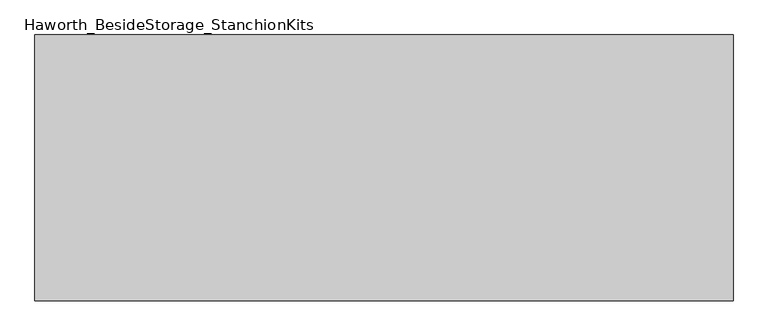
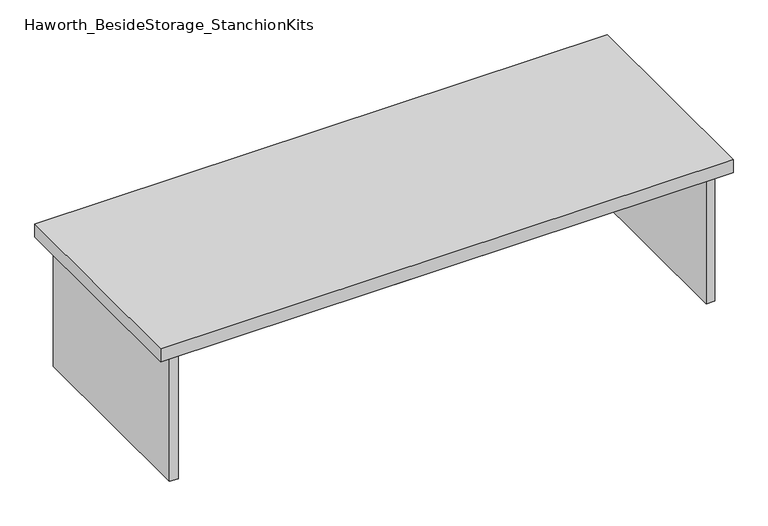
"""IFC4 building model written with IfcOpenShell, lengths in millimetres: furniture geometry, Haworth_BesideStorage_StanchionKits."""

import ifcopenshell
import ifcopenshell.guid

model = None  # the IFC model being written
_history = None  # IfcOwnerHistory: only IFC2X3 demands one
_inside = {}  # id of a spatial element -> (the spatial element, [elements in it])
_under = {}  # id of a project, library or spatial element -> (it, [spatial elements below it])
_declared = {}  # id of a project -> (the project, [libraries it declares])
_typed = {}  # id of a type object -> (the type object, [elements of that type])
_made_of = {}  # id of a material, layer set ... -> (it, [elements and type objects made of it])


def new_model(schema):
    """Start an empty IFC model of exactly this schema.

    Asked for "IFC4X3", IfcOpenShell would pick the latest addendum, in which some entities
    have other attributes; the version numbers below select the first issue.
    IFC2X3 requires an IfcOwnerHistory on every rooted entity: one is made here for all.
    """
    global model, _history
    if schema == "IFC4X3":
        model = ifcopenshell.file(schema_version=(4, 3, 0, 0))
    else:
        model = ifcopenshell.file(schema=schema)
    _inside.clear()
    _under.clear()
    _declared.clear()
    _typed.clear()
    _made_of.clear()
    _history = None
    if model.schema == "IFC2X3":
        org = make("IfcOrganization", Name="unknown")
        user = make(
            "IfcPersonAndOrganization",
            ThePerson=make("IfcPerson", FamilyName="unknown"),
            TheOrganization=org,
        )
        app = make(
            "IfcApplication",
            ApplicationDeveloper=org,
            Version="unknown",
            ApplicationFullName="unknown",
            ApplicationIdentifier="unknown",
        )
        _history = make(
            "IfcOwnerHistory",
            OwningUser=user,
            OwningApplication=app,
            ChangeAction="ADDED",
            CreationDate=0,
        )
    return model


def make(cls, **values):
    """One entity of the class cls with the attributes given. An attribute that is None is left unset."""
    return model.create_entity(
        cls, **{name: value for name, value in values.items() if value is not None}
    )


def rooted(cls, **values):
    """An entity with a GlobalId (a new one), such as an element, a storey or a relation."""
    return make(cls, GlobalId=ifcopenshell.guid.new(), OwnerHistory=_history, **values)


def si_unit(unit_type, name, prefix=None):
    """IfcSIUnit, for example si_unit("LENGTHUNIT", "METRE", prefix="MILLI")."""
    return make("IfcSIUnit", UnitType=unit_type, Prefix=prefix, Name=name)


def assignment(units):
    """IfcUnitAssignment: the units of a project."""
    return None if units is None else make("IfcUnitAssignment", Units=units)


def point(xyz):
    """IfcCartesianPoint."""
    return None if xyz is None else make("IfcCartesianPoint", Coordinates=xyz)


def direction(xyz):
    """IfcDirection."""
    return None if xyz is None else make("IfcDirection", DirectionRatios=xyz)


def frame(location, z_axis=None, x_axis=None):
    """IfcAxis2Placement3D, a coordinate frame: its origin and axes. An axis left out is left unset."""
    return make(
        "IfcAxis2Placement3D",
        Location=point(location),
        Axis=direction(z_axis),
        RefDirection=direction(x_axis),
    )


def origin():
    """The frame at (0, 0, 0) with its axes left unset."""
    return frame((0.0, 0.0, 0.0))


def place(relative_to, where):
    """IfcLocalPlacement: puts the frame where relative to a parent placement (None: the world)."""
    return make(
        "IfcLocalPlacement", PlacementRelTo=relative_to, RelativePlacement=where
    )


def context(
    kind, dimensions, precision=None, world=None, true_north=None, identifier=None
):
    """IfcGeometricRepresentationContext, for example the 3D "Model" context."""
    return make(
        "IfcGeometricRepresentationContext",
        ContextIdentifier=identifier,
        ContextType=kind,
        CoordinateSpaceDimension=dimensions,
        Precision=precision,
        WorldCoordinateSystem=world,
        TrueNorth=true_north,
    )


def project(units=None, contexts=None):
    """IfcProject with its units and contexts."""
    return rooted(
        "IfcProject",
        Name="project",
        RepresentationContexts=contexts,
        UnitsInContext=assignment(units),
    )


def spatial(cls, under=None, at=None, **own):
    """A site, building, storey or space (cls), placed at a placement, below another one or the project."""
    s = rooted(cls, ObjectPlacement=at, **own)
    if under is not None:
        _under.setdefault(under.id(), (under, []))[1].append(s)
    return s


def polyline(points):
    """IfcPolyline through the points."""
    return make("IfcPolyline", Points=[point(p) for p in points])


def outline(outer, holes=None, kind="AREA"):
    """IfcArbitraryClosedProfileDef: a profile drawn as a closed curve; with holes, ...WithVoids."""
    if holes is None:
        return make("IfcArbitraryClosedProfileDef", ProfileType=kind, OuterCurve=outer)
    return make(
        "IfcArbitraryProfileDefWithVoids",
        ProfileType=kind,
        OuterCurve=outer,
        InnerCurves=holes,
    )


def extrude(swept, where, along, depth):
    """IfcExtrudedAreaSolid: the profile swept, set in the frame where, extruded along a direction by depth."""
    return make(
        "IfcExtrudedAreaSolid",
        SweptArea=swept,
        Position=where,
        ExtrudedDirection=direction(along),
        Depth=depth,
    )


def shape(context_of_items, identifier, shape_type, items):
    """IfcShapeRepresentation: the items that make up one representation, for example the "Body"."""
    return make(
        "IfcShapeRepresentation",
        ContextOfItems=context_of_items,
        RepresentationIdentifier=identifier,
        RepresentationType=shape_type,
        Items=items,
    )


def source(mapping_origin, context_of_items, identifier, shape_type, items):
    """IfcRepresentationMap: a shape defined once, which mapped items show again and again."""
    return make(
        "IfcRepresentationMap",
        MappingOrigin=mapping_origin,
        MappedRepresentation=shape(context_of_items, identifier, shape_type, items),
    )


def transform(
    local_origin,
    x_axis=None,
    y_axis=None,
    z_axis=None,
    scale=None,
    scale2=None,
    scale3=None,
    uniform=True,
):
    """IfcCartesianTransformationOperator3D, or its non-uniform kind. x_axis, y_axis, z_axis: its Axis1, 2, 3."""
    if uniform:
        return make(
            "IfcCartesianTransformationOperator3D",
            Axis1=direction(x_axis),
            Axis2=direction(y_axis),
            LocalOrigin=point(local_origin),
            Scale=scale,
            Axis3=direction(z_axis),
        )
    return make(
        "IfcCartesianTransformationOperator3DnonUniform",
        Axis1=direction(x_axis),
        Axis2=direction(y_axis),
        LocalOrigin=point(local_origin),
        Scale=scale,
        Axis3=direction(z_axis),
        Scale2=scale2,
        Scale3=scale3,
    )


def mapped(mapping_source, mapping_target):
    """IfcMappedItem: shows the shape of a source again, moved by a transform."""
    return make(
        "IfcMappedItem", MappingSource=mapping_source, MappingTarget=mapping_target
    )


def made_of(thing, what):
    """Note that an element or type object is made of a material, layer set ...; save() writes the relation."""
    if what is not None:
        _made_of.setdefault(what.id(), (what, []))[1].append(thing)
    return thing


def element(
    cls,
    number,
    at=None,
    inside=None,
    cuts=None,
    type_object=None,
    material=None,
    context=None,
    identifier="Body",
    shape_type=None,
    held_by="IfcProductDefinitionShape",
    body=None,
    shapes=None,
    **own,
):
    """One element of the class cls, such as IfcWall. Its Tag is "e" and its number.

    at: its placement. inside: the storey or other place that contains it. cuts: it is an
    opening in that element (IfcRelVoidsElement). A single representation is given by context,
    identifier, shape_type and body (its items); several are given by shapes. held_by: the class
    of the entity that holds the representations. save() writes the other relations.
    """
    e = rooted(cls, Tag="e%d" % number, ObjectPlacement=at, **own)
    if body is not None:
        shapes = [shape(context, identifier, shape_type, body)]
    if shapes is not None:
        e.Representation = make(held_by, Representations=shapes)
    if inside is not None:
        _inside.setdefault(inside.id(), (inside, []))[1].append(e)
    if cuts is not None:
        rooted(
            "IfcRelVoidsElement", RelatingBuildingElement=cuts, RelatedOpeningElement=e
        )
    if type_object is not None:
        _typed.setdefault(type_object.id(), (type_object, []))[1].append(e)
    return made_of(e, material)


def aggregate(whole, parts):
    """IfcRelAggregates: a whole, such as a stair, and the parts it consists of."""
    return rooted("IfcRelAggregates", RelatingObject=whole, RelatedObjects=parts)


def save(model, path):
    """Write the relations noted so far, then the file.

    IfcRelAggregates (storeys below a building ...), IfcRelContainedInSpatialStructure (elements
    in a storey), IfcRelDefinesByType, IfcRelAssociatesMaterial and IfcRelDeclares: one each for
    every whole, place, type object, material and project.
    """
    for whole, parts in _under.values():
        aggregate(whole, parts)
    for where, things in _inside.values():
        rooted(
            "IfcRelContainedInSpatialStructure",
            RelatedElements=things,
            RelatingStructure=where,
        )
    for kind, things in _typed.values():
        rooted("IfcRelDefinesByType", RelatedObjects=things, RelatingType=kind)
    for what, things in _made_of.values():
        rooted("IfcRelAssociatesMaterial", RelatedObjects=things, RelatingMaterial=what)
    for by, libraries in _declared.values():
        rooted("IfcRelDeclares", RelatingContext=by, RelatedDefinitions=libraries)
    model.write(path)


def haworth_besidestorage_stanchionkits_a22b0064(model_context):
    return source(origin(), model_context, "Body", "SweptSolid", [
        extrude(outline(polyline([(695.325, 0.0), (695.325, -406.4), (-371.475, -406.4), (-371.475, 0.0), (695.325, 0.0)])), frame((0.0, 0.0, 685.8), z_axis=(0.0, 0.0, 1.0), x_axis=(1.0, 0.0, 0.0)), (0.0, 0.0, 1.0), 25.4),
        extrude(outline(polyline([(161.925, -76.2), (654.05, -76.2), (654.05, -92.075), (161.925, -92.075), (161.925, -76.2)])), frame((0.0, 0.0, 431.8), z_axis=(0.0, 0.0, 1.0), x_axis=(1.0, 0.0, 0.0)), (0.0, 0.0, 1.0), 254.0),
        extrude(outline(polyline([(669.925, -390.525), (654.05, -390.525), (654.05, -15.875), (669.925, -15.875), (669.925, -390.525)])), frame((0.0, 0.0, 431.8), z_axis=(0.0, 0.0, 1.0), x_axis=(1.0, 0.0, 0.0)), (0.0, 0.0, 1.0), 254.0),
        extrude(outline(polyline([(-330.2, -390.525), (-346.075, -390.525), (-346.075, -15.875), (-330.2, -15.875), (-330.2, -390.525)])), frame((0.0, 0.0, 431.8), z_axis=(0.0, 0.0, 1.0), x_axis=(1.0, 0.0, 0.0)), (0.0, 0.0, 1.0), 254.0),
    ])


if __name__ == "__main__":
    model = new_model("IFC4")
    model_context = context("Model", 3, world=origin())
    ifc_project = project(units=[si_unit("LENGTHUNIT", "METRE", prefix="MILLI")], contexts=[model_context])
    site = spatial("IfcSite", under=ifc_project)
    building = spatial("IfcBuilding", under=site)
    placement = place(None, origin())
    haworth_besidestorage_stanchionkits_shape = haworth_besidestorage_stanchionkits_a22b0064(model_context)
    element("IfcFurniture", 1, ObjectType="Haworth_BesideStorage_StanchionKits", at=placement, inside=building, context=model_context, shape_type="MappedRepresentation", body=[
        mapped(haworth_besidestorage_stanchionkits_shape, transform((0.0, 0.0, 0.0), x_axis=(1.0, 0.0, 0.0), y_axis=(0.0, 1.0, 0.0), z_axis=(0.0, 0.0, 1.0))),
    ])
    save(model, "model.ifc")
